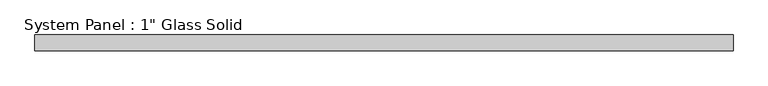
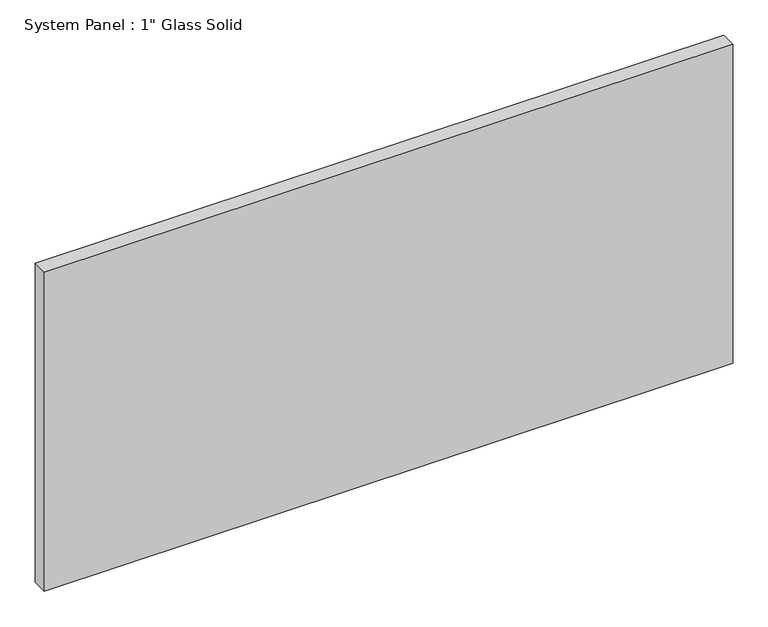
"""IFC4 building model written with IfcOpenShell, lengths in millimetres: plate geometry."""

from ifc_helpers import new_model, si_unit, origin, origin_with_axes, place, context, project, spatial, polyline, outline, extrude, source, transform, mapped, element, save


def plate_f6664578(model_context):
    return source(origin(), model_context, "Body", "SweptSolid", [
        extrude(outline(polyline([(563.5625, -12.7), (-563.5625, -12.7), (-563.5625, 12.7), (563.5625, 12.7), (563.5625, -12.7)])), origin_with_axes(), (0.0, 0.0, 1.0), 552.4517704),
    ])


if __name__ == "__main__":
    model = new_model("IFC4")
    model_context = context("Model", 3, world=origin())
    ifc_project = project(units=[si_unit("LENGTHUNIT", "METRE", prefix="MILLI")], contexts=[model_context])
    site = spatial("IfcSite", under=ifc_project)
    building = spatial("IfcBuilding", under=site)
    placement = place(None, origin())
    plate_shape = plate_f6664578(model_context)
    element("IfcPlate", 1, ObjectType="System Panel : 1\" Glass Solid", at=placement, inside=building, context=model_context, shape_type="MappedRepresentation", body=[
        mapped(plate_shape, transform((0.0, 0.0, 0.0), x_axis=(1.0, 0.0, 0.0), y_axis=(0.0, 1.0, 0.0), z_axis=(0.0, 0.0, 1.0))),
    ])
    save(model, "model.ifc")
